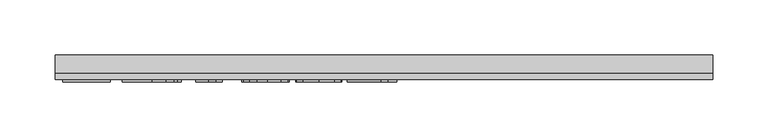
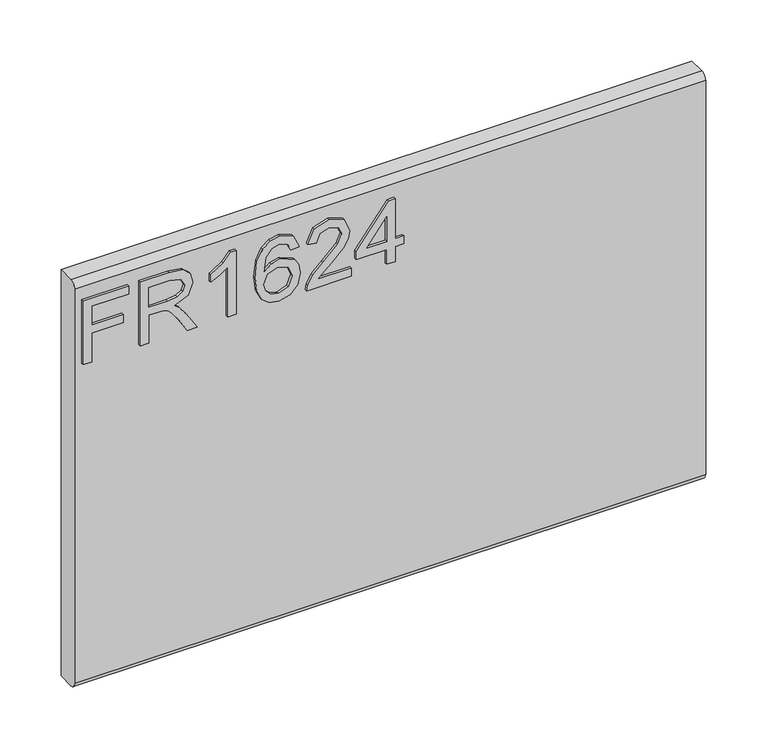
"""IFC4 building model written with IfcOpenShell, lengths in millimetres: furniture geometry."""

from ifc_helpers import new_model, si_unit, frame, origin, place, context, project, spatial, polyline, circle_curve, outline, extrude, source, transform, mapped, element, save
from ifc_brep_helpers import plane_surface, cylinder_surface, advanced_brep


def furniture_8f42083d(model_context):
    return source(origin(), model_context, "Body", "SolidModel", [
        extrude(outline(polyline([(476.25, -291.4729953), (476.25, -283.4992757), (505.1547336, -283.4992757), (505.1547336, -253.5978271), (513.1284532, -253.5978271), (513.1284532, -283.4992757), (532.0660373, -283.4992757), (532.0660373, -248.6142524), (540.0397569, -248.6142524), (540.0397569, -291.4729953), (476.25, -291.4729953)])), frame((0.0, -15.0812439, 0.0), z_axis=(0.0, 1.0, 0.0), x_axis=(0.0, 0.0, 1.0)), (0.0, 0.0, 1.0), 2.38125),
        extrude(outline(polyline([(476.25, -237.6503879), (476.25, -229.6766683), (504.1580187, -229.6766683), (504.1580187, -220.0521395), (503.8776926, -215.4267592), (502.3592596, -211.6345703), (498.22445, -207.4218923), (489.4720468, -201.4260289), (476.25, -193.1252622), (476.25, -183.8589278), (493.536775, -194.4957452), (501.7440996, -200.9588187), (505.1547336, -205.490757), (511.0883023, -192.136334), (522.5816716, -187.8146403), (532.2295609, -190.4232302), (538.3188663, -197.4002349), (540.0397569, -210.1628584), (540.0397569, -237.6503879), (476.25, -237.6503879)]), holes=[polyline([(512.1317383, -229.6766683), (532.0660373, -229.6766683), (532.0660373, -209.8202376), (529.3094975, -199.1600597), (522.2857719, -195.7883599), (516.8739211, -197.5559716), (513.2608294, -202.7264304), (512.1317383, -211.8292412), (512.1317383, -229.6766683)])]), frame((0.0, -15.0812439, 0.0), z_axis=(0.0, 1.0, 0.0), x_axis=(0.0, 0.0, 1.0)), (0.0, 0.0, 1.0), 2.38125),
        extrude(outline(polyline([(476.25, -146.9493273), (540.0397569, -146.9493273), (540.0397569, -152.0886387), (531.5521062, -159.1824459), (524.0923177, -170.8704861), (516.5546609, -170.8704861), (520.5804549, -162.4762774), (525.9611582, -154.9230469), (476.25, -154.9230469), (476.25, -146.9493273)])), frame((0.0, -15.0812439, 0.0), z_axis=(0.0, 1.0, 0.0), x_axis=(0.0, 0.0, 1.0)), (0.0, 0.0, 1.0), 2.38125),
        extrude(outline(polyline([(523.0956028, -87.1464301), (535.538966, -93.0332778), (540.0397569, -105.6323778), (538.2215308, -114.8870318), (532.7668525, -122.0314534), (521.9081103, -127.2642069), (506.0268592, -129.0084581), (491.9015395, -127.437464), (482.4171738, -122.7244818), (477.0442572, -115.5197122), (475.253285, -106.473356), (477.955317, -96.0234227), (485.7421526, -88.7816656), (496.7449512, -86.1497152), (504.9172351, -87.5474522), (511.4309231, -91.7406631), (517.115313, -105.289757), (515.0362279, -114.003226), (508.6743833, -121.0347385), (522.8853582, -118.7687693), (530.1349021, -113.3257713), (532.0660373, -106.1307352), (528.7488454, -98.1414419), (522.0988878, -95.1201497), (523.0956028, -87.1464301)]), holes=[polyline([(496.8695406, -121.0347385), (505.75432, -117.0712392), (509.1415934, -107.4233499), (505.75432, -97.6508713), (496.4801988, -94.1234348), (486.7933754, -97.6975923), (483.2270047, -107.0963028), (484.9478953, -114.2835521), (489.9626174, -119.1892585), (496.8695406, -121.0347385)])]), frame((0.0, -15.0812439, 0.0), z_axis=(0.0, 1.0, 0.0), x_axis=(0.0, 0.0, 1.0)), (0.0, 0.0, 1.0), 2.38125),
        extrude(outline(polyline([(484.2237196, -38.3073975), (484.2237196, -69.6260501), (488.2806609, -66.0285321), (495.950694, -56.8556398), (506.8756243, -45.432352), (514.6936072, -40.7213165), (522.2546245, -39.3041124), (534.9315928, -44.5602264), (540.0397569, -58.833496), (535.445524, -73.0600446), (522.0988878, -79.1727105), (521.1021729, -71.1989909), (529.1537608, -67.8428648), (532.0660373, -59.0048064), (529.0836793, -50.5249425), (521.7718407, -47.277832), (512.7391115, -50.7196133), (499.45477, -64.4867386), (490.2117962, -74.4694618), (481.7475059, -79.3128735), (476.25, -80.1694255), (476.25, -38.3073975), (484.2237196, -38.3073975)])), frame((0.0, -15.0812439, 0.0), z_axis=(0.0, 1.0, 0.0), x_axis=(0.0, 0.0, 1.0)), (0.0, 0.0, 1.0), 2.38125),
        extrude(outline(polyline([(476.25, -4.4190891), (476.25, 3.5546305), (491.2007243, 3.5546305), (491.2007243, 11.5283502), (499.1744439, 11.5283502), (499.1744439, 3.5546305), (539.043042, 3.5546305), (539.043042, -2.4256592), (499.1744439, -33.3238227), (491.2007243, -33.3238227), (491.2007243, -4.4190891), (476.25, -4.4190891)]), holes=[polyline([(499.1744439, -4.4190891), (499.1744439, -23.5124099), (523.8119916, -4.4190891), (499.1744439, -4.4190891)])]), frame((0.0, -15.0812439, 0.0), z_axis=(0.0, 1.0, 0.0), x_axis=(0.0, 0.0, 1.0)), (0.0, 0.0, 1.0), 2.38125),
        advanced_brep(
        [(298.45, 9.5250061, 558.8), (298.45, -6.7309939, 558.8), (298.45, -12.6999939, 552.831), (298.45, -12.6999939, 158.369), (298.45, -6.7309939, 152.4), (298.45, 9.5250061, 152.4), (-298.45, 9.5250061, 558.8), (-298.45, 9.5250061, 152.4), (-298.45, -6.7309939, 152.4), (-298.45, -12.6999939, 158.369), (-298.45, -12.6999939, 552.8310121), (-298.45, -6.7309939, 558.8)],
        [
            (0, 1),
            (1, 2, circle_curve(frame((298.45, -6.7309939, 552.831), z_axis=(1.0, 0.0, 0.0), x_axis=(0.0, 1.0, 0.0)), 5.969)),
            (2, 3),
            (3, 4, circle_curve(frame((298.45, -6.7309939, 158.369), z_axis=(1.0, 0.0, 0.0), x_axis=(0.0, 1.0, 0.0)), 5.969)),
            (4, 5),
            (5, 0),
            (6, 7),
            (7, 8),
            (8, 9, circle_curve(frame((-298.45, -6.7309939, 158.369), z_axis=(-1.0, 0.0, 0.0), x_axis=(0.0, 1.0, 0.0)), 5.969)),
            (9, 10),
            (10, 11, circle_curve(frame((-298.45, -6.7309939, 552.831), z_axis=(-1.0, 0.0, 0.0), x_axis=(0.0, 1.0, 0.0)), 5.969)),
            (11, 6),
            (0, 6),
            (11, 1),
            (10, 2),
            (9, 3),
            (8, 4),
            (7, 5),
        ],
        [
            plane_surface(frame((298.45, -6.7309939, 558.8), z_axis=(1.0, 0.0, 0.0), x_axis=(0.0, -1.0, 0.0))),
            plane_surface(frame((-298.45, -6.7309939, 558.8), z_axis=(-1.0, 0.0, 0.0), x_axis=(0.0, 1.0, 0.0))),
            plane_surface(frame((298.45, 9.5250061, 558.8), z_axis=(0.0, 0.0, 1.0), x_axis=(-1.0, 0.0, 0.0))),
            cylinder_surface(frame((-298.45, -6.7309939, 552.831), z_axis=(1.0, 0.0, 0.0), x_axis=(0.0, 1.0, 0.0)), 5.969),
            plane_surface(frame((298.45, -12.6999939, 552.8310121), z_axis=(0.0, -1.0, 0.0), x_axis=(-1.0, 0.0, 0.0))),
            cylinder_surface(frame((-298.45, -6.7309939, 158.369), z_axis=(1.0, 0.0, 0.0), x_axis=(0.0, 1.0, 0.0)), 5.969),
            plane_surface(frame((298.45, -6.7309939, 152.4), z_axis=(0.0, 0.0, -1.0), x_axis=(-1.0, 0.0, 0.0))),
            plane_surface(frame((298.45, 9.5250061, 152.4), z_axis=(0.0, 1.0, 0.0), x_axis=(-1.0, 0.0, 0.0))),
        ],
        [
            (0, [[1, 2, 3, 4, 5, 6]]),
            (1, [[7, 8, 9, 10, 11, 12]]),
            (2, [[-1, 13, -12, 14]]),
            (3, [[-2, -14, -11, 15]]),
            (4, [[-3, -15, -10, 16]]),
            (5, [[-4, -16, -9, 17]]),
            (6, [[-5, -17, -8, 18]]),
            (7, [[-6, -18, -7, -13]]),
        ],
    ),
    ])


if __name__ == "__main__":
    model = new_model("IFC4")
    model_context = context("Model", 3, world=origin())
    ifc_project = project(units=[si_unit("LENGTHUNIT", "METRE", prefix="MILLI")], contexts=[model_context])
    site = spatial("IfcSite", under=ifc_project)
    building = spatial("IfcBuilding", under=site)
    placement = place(None, origin())
    furniture_shape = furniture_8f42083d(model_context)
    element("IfcFurniture", 1, at=placement, inside=building, context=model_context, shape_type="MappedRepresentation", body=[
        mapped(furniture_shape, transform((0.0, 0.0, 0.0), x_axis=(1.0, 0.0, 0.0), y_axis=(0.0, 1.0, 0.0), z_axis=(0.0, 0.0, 1.0))),
    ])
    save(model, "model.ifc")
